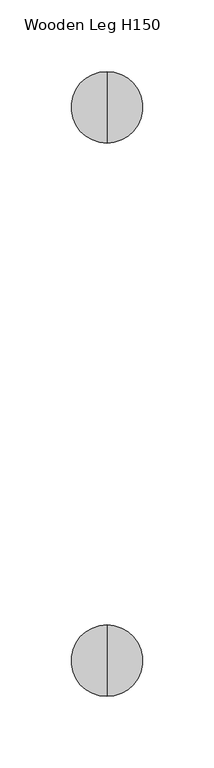
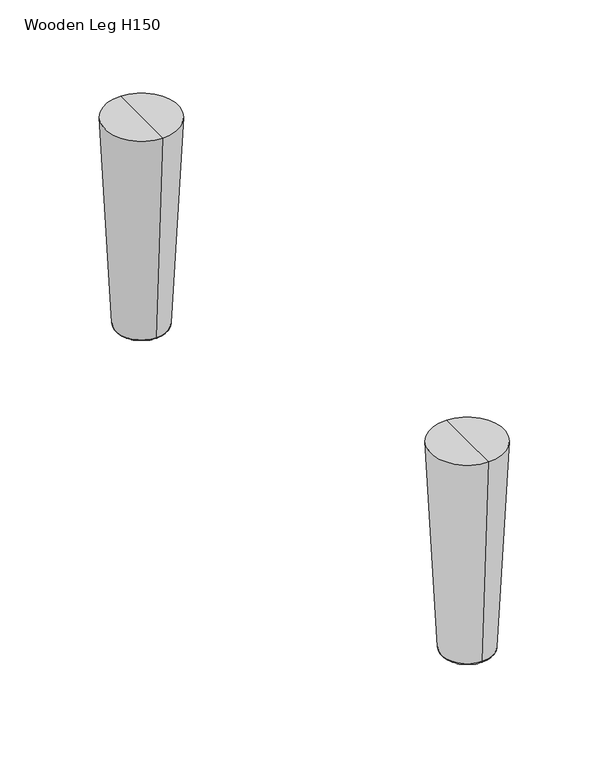
"""IFC4 building model written with IfcOpenShell, lengths in millimetres: furniture geometry, Wooden Leg H150."""

from ifc_helpers import new_model, si_unit, point, frame, origin, place, context, project, spatial, polyline, circle_curve, ellipse_curve, trimmed, source, transform, mapped, element, save
from ifc_brep_helpers import plane_surface, cylinder_surface, revolved_surface, advanced_brep


def wooden_leg_h150_7fd3a910(model_context):
    return source(origin(), model_context, "Body", "AdvancedBrep", [
        advanced_brep(
        [(90.0, -409.3735315, 0.6299678), (90.0, -427.539616, 0.6299678), (90.0, -427.539616, 4.0738905), (90.0, -409.3735315, 4.0738905), (90.0, -425.5263745, 6.9490974), (90.0, -411.3867731, 6.9490974), (90.0, -425.5263745, 68.0), (90.0, -411.3867731, 68.0), (90.0, -418.4565738, 68.0), (90.0, -418.4565738, 0.0), (90.0, -426.9096482, 0.0), (90.0, -410.0034993, 0.0)],
        [
            (0, 1, circle_curve(frame((90.0, -418.4565738, 0.6299678), z_axis=(0.0, 0.0, 1.0), x_axis=(0.0, -1.0, 0.0)), 9.0830423)),
            (1, 2),
            (2, 3, circle_curve(frame((90.0, -418.4565738, 4.0738905), z_axis=(0.0, 0.0, -1.0), x_axis=(0.0, -1.0, 0.0)), 9.0830423)),
            (3, 0),
            (1, 0, circle_curve(frame((90.0, -418.4565738, 0.6299678), z_axis=(0.0, 0.0, 1.0), x_axis=(0.0, -1.0, 0.0)), 9.0830423)),
            (3, 2, circle_curve(frame((90.0, -418.4565738, 4.0738905), z_axis=(0.0, 0.0, -1.0), x_axis=(0.0, -1.0, 0.0)), 9.0830423)),
            (2, 4),
            (4, 5, circle_curve(frame((90.0, -418.4565738, 6.9490974), z_axis=(0.0, 0.0, -1.0), x_axis=(0.0, -1.0, 0.0)), 7.0698007)),
            (5, 3),
            (5, 4, circle_curve(frame((90.0, -418.4565738, 6.9490974), z_axis=(0.0, 0.0, -1.0), x_axis=(0.0, -1.0, 0.0)), 7.0698007)),
            (4, 6),
            (6, 7, circle_curve(frame((90.0, -418.4565738, 68.0), z_axis=(0.0, 0.0, -1.0), x_axis=(0.0, -1.0, 0.0)), 7.0698007)),
            (7, 5),
            (7, 6, circle_curve(frame((90.0, -418.4565738, 68.0), z_axis=(0.0, 0.0, -1.0), x_axis=(0.0, -1.0, 0.0)), 7.0698007)),
            (6, 8),
            (8, 7),
            (9, 10),
            (10, 11, circle_curve(frame((90.0, -418.4565738, 0.0), z_axis=(0.0, 0.0, -1.0), x_axis=(0.0, -1.0, 0.0)), 8.4530745)),
            (11, 9),
            (11, 10, circle_curve(frame((90.0, -418.4565738, 0.0), z_axis=(0.0, 0.0, -1.0), x_axis=(0.0, -1.0, 0.0)), 8.4530745)),
            (10, 1, circle_curve(frame((90.0, -426.9096482, 0.6299678), z_axis=(-1.0, 0.0, 0.0), x_axis=(0.0, 1.0, 0.0)), 0.6299678)),
            (0, 11, circle_curve(frame((90.0, -410.0034993, 0.6299678), z_axis=(-1.0, 0.0, 0.0), x_axis=(0.0, -1.0, 0.0)), 0.6299678)),
        ],
        [
            cylinder_surface(frame((90.0, -418.4565738, 5.6670351), z_axis=(0.0, 0.0, -1.0), x_axis=(0.0, -1.0, 0.0)), 9.0830423),
            revolved_surface(polyline([(90.0, -425.5263745, 6.9490974), (90.0, -427.539616, 4.0738905)]), (90.0, -418.4565738, 5.6670351), (0.0, 0.0, -1.0)),
            cylinder_surface(frame((90.0, -418.4565738, 5.6670351), z_axis=(0.0, 0.0, -1.0), x_axis=(0.0, -1.0, 0.0)), 7.0698007),
            plane_surface(frame((90.0, -418.4565738, 68.0), z_axis=(0.0, 0.0, 1.0), x_axis=(0.0, -1.0, 0.0))),
            plane_surface(frame((90.0, -418.4565738, 0.0), z_axis=(0.0, 0.0, -1.0), x_axis=(0.0, -1.0, 0.0))),
            revolved_surface(trimmed(ellipse_curve(frame((90.0, -426.9096482, 0.6299678), z_axis=(1.0, 0.0, 0.0), x_axis=(0.0, 1.0, 0.0)), 0.6299678, 0.6299678), [point((90.0, -427.539616, 0.6299678))], [point((90.0, -426.9096482, 0.0))], True, "CARTESIAN"), (90.0, -418.4565738, 5.6670351), (0.0, 0.0, -1.0)),
        ],
        [
            (0, [[1, 2, 3, 4]]),
            (0, [[5, -4, 6, -2]]),
            (1, [[-3, 7, 8, 9]]),
            (1, [[-6, -9, 10, -7]]),
            (2, [[-8, 11, 12, 13]]),
            (2, [[-10, -13, 14, -11]]),
            (3, [[-12, 15, 16]]),
            (3, [[-14, -16, -15]]),
            (4, [[17, 18, 19]]),
            (4, [[-19, 20, -17]]),
            (5, [[-18, 21, -1, 22]]),
            (5, [[-20, -22, -5, -21]]),
        ],
    ),
        advanced_brep(
        [(90.0, -393.513709, 152.0), (90.0, -443.513709, 152.0), (90.0, -418.513709, 152.0), (90.0, -418.513709, 2.0), (90.0, -435.1030176, 2.0), (90.0, -401.9244003, 2.0), (90.0, -400.9376404, 2.9388378), (90.0, -436.0897775, 2.9388378)],
        [
            (0, 1, circle_curve(frame((90.0, -418.513709, 152.0), z_axis=(0.0, 0.0, 1.0), x_axis=(0.0, -1.0, 0.0)), 25.0)),
            (1, 2),
            (2, 0),
            (1, 0, circle_curve(frame((90.0, -418.513709, 152.0), z_axis=(0.0, 0.0, 1.0), x_axis=(0.0, -1.0, 0.0)), 25.0)),
            (3, 4),
            (4, 5, circle_curve(frame((90.0, -418.513709, 2.0), z_axis=(0.0, 0.0, -1.0), x_axis=(0.0, -1.0, 0.0)), 16.5893086)),
            (5, 3),
            (5, 4, circle_curve(frame((90.0, -418.513709, 2.0), z_axis=(0.0, 0.0, -1.0), x_axis=(0.0, -1.0, 0.0)), 16.5893086)),
            (6, 7, circle_curve(frame((90.0, -418.513709, 2.9388378), z_axis=(0.0, 0.0, 1.0), x_axis=(0.0, -1.0, 0.0)), 17.5760685)),
            (7, 1),
            (0, 6),
            (7, 6, circle_curve(frame((90.0, -418.513709, 2.9388378), z_axis=(0.0, 0.0, 1.0), x_axis=(0.0, -1.0, 0.0)), 17.5760685)),
            (4, 7, circle_curve(frame((90.0, -435.1030176, 2.987983), z_axis=(-1.0, 0.0, 0.0), x_axis=(0.0, 1.0, 0.0)), 0.987983)),
            (6, 5, circle_curve(frame((90.0, -401.9244003, 2.987983), z_axis=(-1.0, 0.0, 0.0), x_axis=(0.0, -1.0, 0.0)), 0.987983)),
        ],
        [
            plane_surface(frame((90.0, -418.513709, 152.0), z_axis=(0.0, 0.0, 1.0), x_axis=(0.0, -1.0, 0.0))),
            plane_surface(frame((90.0, -418.513709, 2.0), z_axis=(0.0, 0.0, -1.0), x_axis=(0.0, -1.0, 0.0))),
            revolved_surface(polyline([(90.0, -443.513709, 152.0), (90.0, -436.0897775, 2.9388378)]), (90.0, -418.513709, 152.0), (0.0, 0.0, -1.0)),
            revolved_surface(trimmed(ellipse_curve(frame((90.0, -435.1030176, 2.987983), z_axis=(1.0, 0.0, 0.0), x_axis=(0.0, 1.0, 0.0)), 0.987983, 0.987983), [point((90.0, -436.0897775, 2.9388378))], [point((90.0, -435.1030176, 2.0))], True, "CARTESIAN"), (90.0, -418.513709, 152.0), (0.0, 0.0, -1.0)),
        ],
        [
            (0, [[1, 2, 3]]),
            (0, [[4, -3, -2]]),
            (1, [[5, 6, 7]]),
            (1, [[-7, 8, -5]]),
            (2, [[9, 10, -1, 11]]),
            (2, [[12, -11, -4, -10]]),
            (3, [[-6, 13, -9, 14]]),
            (3, [[-8, -14, -12, -13]]),
        ],
    ),
        advanced_brep(
        [(90.0, -40.6264685, 4.0738905), (90.0, -22.460384, 4.0738905), (90.0, -22.460384, 0.6299678), (90.0, -40.6264685, 0.6299678), (90.0, -38.6132269, 6.9490974), (90.0, -24.4736255, 6.9490974), (90.0, -38.6132269, 68.0), (90.0, -24.4736255, 68.0), (90.0, -31.5434262, 68.0), (90.0, -39.9965007, 0.0), (90.0, -23.0903518, 0.0), (90.0, -31.5434262, 0.0)],
        [
            (0, 1, circle_curve(frame((90.0, -31.5434262, 4.0738905), z_axis=(0.0, 0.0, -1.0), x_axis=(0.0, 1.0, 0.0)), 9.0830423)),
            (1, 2),
            (2, 3, circle_curve(frame((90.0, -31.5434262, 0.6299678), z_axis=(0.0, 0.0, 1.0), x_axis=(0.0, 1.0, 0.0)), 9.0830423)),
            (3, 0),
            (1, 0, circle_curve(frame((90.0, -31.5434262, 4.0738905), z_axis=(0.0, 0.0, -1.0), x_axis=(0.0, 1.0, 0.0)), 9.0830423)),
            (3, 2, circle_curve(frame((90.0, -31.5434262, 0.6299678), z_axis=(0.0, 0.0, 1.0), x_axis=(0.0, 1.0, 0.0)), 9.0830423)),
            (4, 5, circle_curve(frame((90.0, -31.5434262, 6.9490974), z_axis=(0.0, 0.0, -1.0), x_axis=(0.0, 1.0, 0.0)), 7.0698007)),
            (5, 1),
            (0, 4),
            (5, 4, circle_curve(frame((90.0, -31.5434262, 6.9490974), z_axis=(0.0, 0.0, -1.0), x_axis=(0.0, 1.0, 0.0)), 7.0698007)),
            (6, 7, circle_curve(frame((90.0, -31.5434262, 68.0), z_axis=(0.0, 0.0, -1.0), x_axis=(0.0, 1.0, 0.0)), 7.0698007)),
            (7, 5),
            (4, 6),
            (7, 6, circle_curve(frame((90.0, -31.5434262, 68.0), z_axis=(0.0, 0.0, -1.0), x_axis=(0.0, 1.0, 0.0)), 7.0698007)),
            (8, 7),
            (6, 8),
            (9, 10, circle_curve(frame((90.0, -31.5434262, 0.0), z_axis=(0.0, 0.0, -1.0), x_axis=(0.0, 1.0, 0.0)), 8.4530745)),
            (10, 11),
            (11, 9),
            (10, 9, circle_curve(frame((90.0, -31.5434262, 0.0), z_axis=(0.0, 0.0, -1.0), x_axis=(0.0, 1.0, 0.0)), 8.4530745)),
            (2, 10, circle_curve(frame((90.0, -23.0903518, 0.6299678), z_axis=(-1.0, 0.0, 0.0), x_axis=(0.0, -1.0, 0.0)), 0.6299678)),
            (9, 3, circle_curve(frame((90.0, -39.9965007, 0.6299678), z_axis=(-1.0, 0.0, 0.0), x_axis=(0.0, 1.0, 0.0)), 0.6299678)),
        ],
        [
            cylinder_surface(frame((90.0, -31.5434262, 5.6670351), z_axis=(0.0, 0.0, 1.0), x_axis=(0.0, 1.0, 0.0)), 9.0830423),
            revolved_surface(polyline([(90.0, -22.460384, 4.0738905), (90.0, -24.4736255, 6.9490974)]), (90.0, -31.5434262, 5.6670351), (0.0, 0.0, 1.0)),
            cylinder_surface(frame((90.0, -31.5434262, 5.6670351), z_axis=(0.0, 0.0, 1.0), x_axis=(0.0, 1.0, 0.0)), 7.0698007),
            plane_surface(frame((90.0, -31.5434262, 68.0), z_axis=(0.0, 0.0, 1.0), x_axis=(0.0, 1.0, 0.0))),
            plane_surface(frame((90.0, -31.5434262, 0.0), z_axis=(0.0, 0.0, -1.0), x_axis=(0.0, 1.0, 0.0))),
            revolved_surface(trimmed(ellipse_curve(frame((90.0, -23.0903518, 0.6299678), z_axis=(1.0, 0.0, 0.0), x_axis=(0.0, -1.0, 0.0)), 0.6299678, 0.6299678), [point((90.0, -23.0903518, 0.0))], [point((90.0, -22.460384, 0.6299678))], True, "CARTESIAN"), (90.0, -31.5434262, 5.6670351), (0.0, 0.0, 1.0)),
        ],
        [
            (0, [[1, 2, 3, 4]]),
            (0, [[5, -4, 6, -2]]),
            (1, [[7, 8, -1, 9]]),
            (1, [[10, -9, -5, -8]]),
            (2, [[11, 12, -7, 13]]),
            (2, [[14, -13, -10, -12]]),
            (3, [[15, -11, 16]]),
            (3, [[-16, -14, -15]]),
            (4, [[17, 18, 19]]),
            (4, [[20, -19, -18]]),
            (5, [[-3, 21, -17, 22]]),
            (5, [[-6, -22, -20, -21]]),
        ],
    ),
        advanced_brep(
        [(90.0, -31.486291, 152.0), (90.0, -6.486291, 152.0), (90.0, -56.486291, 152.0), (90.0, -48.0755997, 2.0), (90.0, -14.8969824, 2.0), (90.0, -31.486291, 2.0), (90.0, -13.9102225, 2.9388378), (90.0, -49.0623596, 2.9388378)],
        [
            (0, 1),
            (1, 2, circle_curve(frame((90.0, -31.486291, 152.0), z_axis=(0.0, 0.0, 1.0), x_axis=(0.0, 1.0, 0.0)), 25.0)),
            (2, 0),
            (2, 1, circle_curve(frame((90.0, -31.486291, 152.0), z_axis=(0.0, 0.0, 1.0), x_axis=(0.0, 1.0, 0.0)), 25.0)),
            (3, 4, circle_curve(frame((90.0, -31.486291, 2.0), z_axis=(0.0, 0.0, -1.0), x_axis=(0.0, 1.0, 0.0)), 16.5893086)),
            (4, 5),
            (5, 3),
            (4, 3, circle_curve(frame((90.0, -31.486291, 2.0), z_axis=(0.0, 0.0, -1.0), x_axis=(0.0, 1.0, 0.0)), 16.5893086)),
            (1, 6),
            (6, 7, circle_curve(frame((90.0, -31.486291, 2.9388378), z_axis=(0.0, 0.0, 1.0), x_axis=(0.0, 1.0, 0.0)), 17.5760685)),
            (7, 2),
            (7, 6, circle_curve(frame((90.0, -31.486291, 2.9388378), z_axis=(0.0, 0.0, 1.0), x_axis=(0.0, 1.0, 0.0)), 17.5760685)),
            (6, 4, circle_curve(frame((90.0, -14.8969824, 2.987983), z_axis=(-1.0, 0.0, 0.0), x_axis=(0.0, -1.0, 0.0)), 0.987983)),
            (3, 7, circle_curve(frame((90.0, -48.0755997, 2.987983), z_axis=(-1.0, 0.0, 0.0), x_axis=(0.0, 1.0, 0.0)), 0.987983)),
        ],
        [
            plane_surface(frame((90.0, -31.486291, 152.0), z_axis=(0.0, 0.0, 1.0), x_axis=(0.0, 1.0, 0.0))),
            plane_surface(frame((90.0, -31.486291, 2.0), z_axis=(0.0, 0.0, -1.0), x_axis=(0.0, 1.0, 0.0))),
            revolved_surface(polyline([(90.0, -13.9102225, 2.9388378), (90.0, -6.486291, 152.0)]), (90.0, -31.486291, 152.0), (0.0, 0.0, 1.0)),
            revolved_surface(trimmed(ellipse_curve(frame((90.0, -14.8969824, 2.987983), z_axis=(1.0, 0.0, 0.0), x_axis=(0.0, -1.0, 0.0)), 0.987983, 0.987983), [point((90.0, -14.8969824, 2.0))], [point((90.0, -13.9102225, 2.9388378))], True, "CARTESIAN"), (90.0, -31.486291, 152.0), (0.0, 0.0, 1.0)),
        ],
        [
            (0, [[1, 2, 3]]),
            (0, [[-3, 4, -1]]),
            (1, [[5, 6, 7]]),
            (1, [[8, -7, -6]]),
            (2, [[-2, 9, 10, 11]]),
            (2, [[-4, -11, 12, -9]]),
            (3, [[-10, 13, -5, 14]]),
            (3, [[-12, -14, -8, -13]]),
        ],
    ),
    ])


if __name__ == "__main__":
    model = new_model("IFC4")
    model_context = context("Model", 3, world=origin())
    ifc_project = project(units=[si_unit("LENGTHUNIT", "METRE", prefix="MILLI")], contexts=[model_context])
    site = spatial("IfcSite", under=ifc_project)
    building = spatial("IfcBuilding", under=site)
    placement = place(None, origin())
    wooden_leg_h150_shape = wooden_leg_h150_7fd3a910(model_context)
    element("IfcFurniture", 1, ObjectType="Wooden Leg H150", at=placement, inside=building, context=model_context, shape_type="MappedRepresentation", body=[
        mapped(wooden_leg_h150_shape, transform((0.0, 0.0, 0.0), x_axis=(1.0, 0.0, 0.0), y_axis=(0.0, 1.0, 0.0), z_axis=(0.0, 0.0, 1.0))),
    ])
    save(model, "model.ifc")
